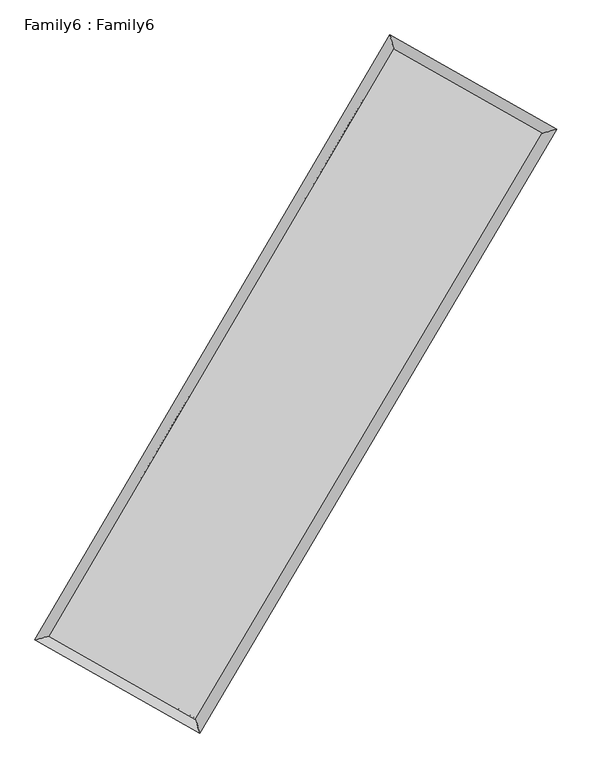
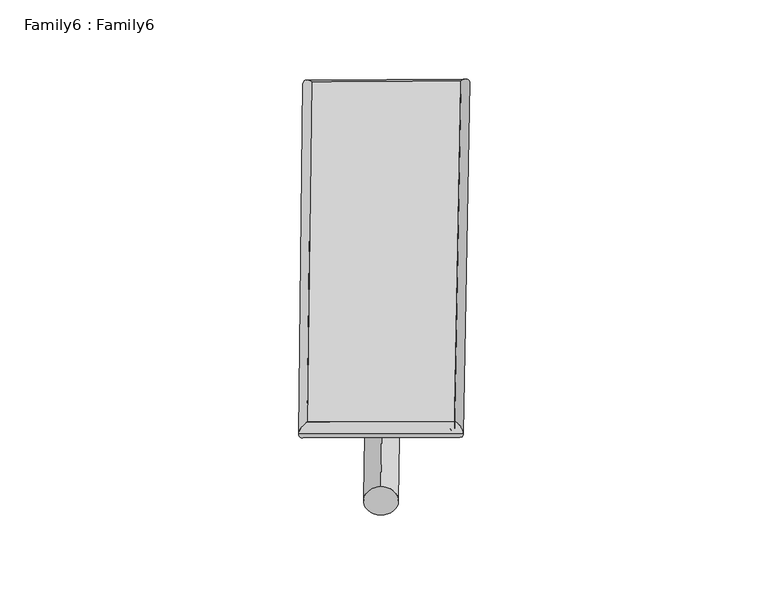
"""IFC4 building model written with IfcOpenShell, lengths in millimetres: plate geometry, Family6 : Family6."""

import ifcopenshell
import ifcopenshell.guid

model = None  # the IFC model being written
_history = None  # IfcOwnerHistory: only IFC2X3 demands one
_inside = {}  # id of a spatial element -> (the spatial element, [elements in it])
_under = {}  # id of a project, library or spatial element -> (it, [spatial elements below it])
_declared = {}  # id of a project -> (the project, [libraries it declares])
_typed = {}  # id of a type object -> (the type object, [elements of that type])
_made_of = {}  # id of a material, layer set ... -> (it, [elements and type objects made of it])


def new_model(schema):
    """Start an empty IFC model of exactly this schema.

    Asked for "IFC4X3", IfcOpenShell would pick the latest addendum, in which some entities
    have other attributes; the version numbers below select the first issue.
    IFC2X3 requires an IfcOwnerHistory on every rooted entity: one is made here for all.
    """
    global model, _history
    if schema == "IFC4X3":
        model = ifcopenshell.file(schema_version=(4, 3, 0, 0))
    else:
        model = ifcopenshell.file(schema=schema)
    _inside.clear()
    _under.clear()
    _declared.clear()
    _typed.clear()
    _made_of.clear()
    _history = None
    if model.schema == "IFC2X3":
        org = make("IfcOrganization", Name="unknown")
        user = make(
            "IfcPersonAndOrganization",
            ThePerson=make("IfcPerson", FamilyName="unknown"),
            TheOrganization=org,
        )
        app = make(
            "IfcApplication",
            ApplicationDeveloper=org,
            Version="unknown",
            ApplicationFullName="unknown",
            ApplicationIdentifier="unknown",
        )
        _history = make(
            "IfcOwnerHistory",
            OwningUser=user,
            OwningApplication=app,
            ChangeAction="ADDED",
            CreationDate=0,
        )
    return model


def make(cls, **values):
    """One entity of the class cls with the attributes given. An attribute that is None is left unset."""
    return model.create_entity(
        cls, **{name: value for name, value in values.items() if value is not None}
    )


def rooted(cls, **values):
    """An entity with a GlobalId (a new one), such as an element, a storey or a relation."""
    return make(cls, GlobalId=ifcopenshell.guid.new(), OwnerHistory=_history, **values)


def si_unit(unit_type, name, prefix=None):
    """IfcSIUnit, for example si_unit("LENGTHUNIT", "METRE", prefix="MILLI")."""
    return make("IfcSIUnit", UnitType=unit_type, Prefix=prefix, Name=name)


def assignment(units):
    """IfcUnitAssignment: the units of a project."""
    return None if units is None else make("IfcUnitAssignment", Units=units)


def point(xyz):
    """IfcCartesianPoint."""
    return None if xyz is None else make("IfcCartesianPoint", Coordinates=xyz)


def direction(xyz):
    """IfcDirection."""
    return None if xyz is None else make("IfcDirection", DirectionRatios=xyz)


def frame(location, z_axis=None, x_axis=None):
    """IfcAxis2Placement3D, a coordinate frame: its origin and axes. An axis left out is left unset."""
    return make(
        "IfcAxis2Placement3D",
        Location=point(location),
        Axis=direction(z_axis),
        RefDirection=direction(x_axis),
    )


def frame_2d(location, x_axis=None):
    """IfcAxis2Placement2D, a coordinate frame in the plane: its origin and x axis."""
    return make(
        "IfcAxis2Placement2D", Location=point(location), RefDirection=direction(x_axis)
    )


def origin():
    """The frame at (0, 0, 0) with its axes left unset."""
    return frame((0.0, 0.0, 0.0))


def origin_2d():
    """The frame at (0, 0) in the plane with its x axis left unset."""
    return frame_2d((0.0, 0.0))


def place(relative_to, where):
    """IfcLocalPlacement: puts the frame where relative to a parent placement (None: the world)."""
    return make(
        "IfcLocalPlacement", PlacementRelTo=relative_to, RelativePlacement=where
    )


def context(
    kind, dimensions, precision=None, world=None, true_north=None, identifier=None
):
    """IfcGeometricRepresentationContext, for example the 3D "Model" context."""
    return make(
        "IfcGeometricRepresentationContext",
        ContextIdentifier=identifier,
        ContextType=kind,
        CoordinateSpaceDimension=dimensions,
        Precision=precision,
        WorldCoordinateSystem=world,
        TrueNorth=true_north,
    )


def project(units=None, contexts=None):
    """IfcProject with its units and contexts."""
    return rooted(
        "IfcProject",
        Name="project",
        RepresentationContexts=contexts,
        UnitsInContext=assignment(units),
    )


def spatial(cls, under=None, at=None, **own):
    """A site, building, storey or space (cls), placed at a placement, below another one or the project."""
    s = rooted(cls, ObjectPlacement=at, **own)
    if under is not None:
        _under.setdefault(under.id(), (under, []))[1].append(s)
    return s


def circle_curve(where, radius):
    """IfcCircle in the frame where."""
    return make("IfcCircle", Position=where, Radius=radius)


def ellipse_curve(where, semi_axis1, semi_axis2):
    """IfcEllipse in the frame where."""
    return make(
        "IfcEllipse", Position=where, SemiAxis1=semi_axis1, SemiAxis2=semi_axis2
    )


def trimmed(basis, trim1, trim2, sense, master):
    """IfcTrimmedCurve: the piece of a basis curve between two trims."""
    return make(
        "IfcTrimmedCurve",
        BasisCurve=basis,
        Trim1=trim1,
        Trim2=trim2,
        SenseAgreement=sense,
        MasterRepresentation=master,
    )


def segment(curve, same_sense, transition):
    """IfcCompositeCurveSegment."""
    return make(
        "IfcCompositeCurveSegment",
        Transition=transition,
        SameSense=same_sense,
        ParentCurve=curve,
    )


def composite_curve(segments, self_intersect=None):
    """IfcCompositeCurve: segments joined end to end."""
    return make("IfcCompositeCurve", Segments=segments, SelfIntersect=self_intersect)


def outline(outer, holes=None, kind="AREA"):
    """IfcArbitraryClosedProfileDef: a profile drawn as a closed curve; with holes, ...WithVoids."""
    if holes is None:
        return make("IfcArbitraryClosedProfileDef", ProfileType=kind, OuterCurve=outer)
    return make(
        "IfcArbitraryProfileDefWithVoids",
        ProfileType=kind,
        OuterCurve=outer,
        InnerCurves=holes,
    )


def extrude(swept, where, along, depth):
    """IfcExtrudedAreaSolid: the profile swept, set in the frame where, extruded along a direction by depth."""
    return make(
        "IfcExtrudedAreaSolid",
        SweptArea=swept,
        Position=where,
        ExtrudedDirection=direction(along),
        Depth=depth,
    )


def shape(context_of_items, identifier, shape_type, items):
    """IfcShapeRepresentation: the items that make up one representation, for example the "Body"."""
    return make(
        "IfcShapeRepresentation",
        ContextOfItems=context_of_items,
        RepresentationIdentifier=identifier,
        RepresentationType=shape_type,
        Items=items,
    )


def source(mapping_origin, context_of_items, identifier, shape_type, items):
    """IfcRepresentationMap: a shape defined once, which mapped items show again and again."""
    return make(
        "IfcRepresentationMap",
        MappingOrigin=mapping_origin,
        MappedRepresentation=shape(context_of_items, identifier, shape_type, items),
    )


def transform(
    local_origin,
    x_axis=None,
    y_axis=None,
    z_axis=None,
    scale=None,
    scale2=None,
    scale3=None,
    uniform=True,
):
    """IfcCartesianTransformationOperator3D, or its non-uniform kind. x_axis, y_axis, z_axis: its Axis1, 2, 3."""
    if uniform:
        return make(
            "IfcCartesianTransformationOperator3D",
            Axis1=direction(x_axis),
            Axis2=direction(y_axis),
            LocalOrigin=point(local_origin),
            Scale=scale,
            Axis3=direction(z_axis),
        )
    return make(
        "IfcCartesianTransformationOperator3DnonUniform",
        Axis1=direction(x_axis),
        Axis2=direction(y_axis),
        LocalOrigin=point(local_origin),
        Scale=scale,
        Axis3=direction(z_axis),
        Scale2=scale2,
        Scale3=scale3,
    )


def mapped(mapping_source, mapping_target):
    """IfcMappedItem: shows the shape of a source again, moved by a transform."""
    return make(
        "IfcMappedItem", MappingSource=mapping_source, MappingTarget=mapping_target
    )


def made_of(thing, what):
    """Note that an element or type object is made of a material, layer set ...; save() writes the relation."""
    if what is not None:
        _made_of.setdefault(what.id(), (what, []))[1].append(thing)
    return thing


def element(
    cls,
    number,
    at=None,
    inside=None,
    cuts=None,
    type_object=None,
    material=None,
    context=None,
    identifier="Body",
    shape_type=None,
    held_by="IfcProductDefinitionShape",
    body=None,
    shapes=None,
    **own,
):
    """One element of the class cls, such as IfcWall. Its Tag is "e" and its number.

    at: its placement. inside: the storey or other place that contains it. cuts: it is an
    opening in that element (IfcRelVoidsElement). A single representation is given by context,
    identifier, shape_type and body (its items); several are given by shapes. held_by: the class
    of the entity that holds the representations. save() writes the other relations.
    """
    e = rooted(cls, Tag="e%d" % number, ObjectPlacement=at, **own)
    if body is not None:
        shapes = [shape(context, identifier, shape_type, body)]
    if shapes is not None:
        e.Representation = make(held_by, Representations=shapes)
    if inside is not None:
        _inside.setdefault(inside.id(), (inside, []))[1].append(e)
    if cuts is not None:
        rooted(
            "IfcRelVoidsElement", RelatingBuildingElement=cuts, RelatedOpeningElement=e
        )
    if type_object is not None:
        _typed.setdefault(type_object.id(), (type_object, []))[1].append(e)
    return made_of(e, material)


def aggregate(whole, parts):
    """IfcRelAggregates: a whole, such as a stair, and the parts it consists of."""
    return rooted("IfcRelAggregates", RelatingObject=whole, RelatedObjects=parts)


def save(model, path):
    """Write the relations noted so far, then the file.

    IfcRelAggregates (storeys below a building ...), IfcRelContainedInSpatialStructure (elements
    in a storey), IfcRelDefinesByType, IfcRelAssociatesMaterial and IfcRelDeclares: one each for
    every whole, place, type object, material and project.
    """
    for whole, parts in _under.values():
        aggregate(whole, parts)
    for where, things in _inside.values():
        rooted(
            "IfcRelContainedInSpatialStructure",
            RelatedElements=things,
            RelatingStructure=where,
        )
    for kind, things in _typed.values():
        rooted("IfcRelDefinesByType", RelatedObjects=things, RelatingType=kind)
    for what, things in _made_of.values():
        rooted("IfcRelAssociatesMaterial", RelatedObjects=things, RelatingMaterial=what)
    for by, libraries in _declared.values():
        rooted("IfcRelDeclares", RelatingContext=by, RelatedDefinitions=libraries)
    model.write(path)


def plane_surface(at):
    """IfcPlane: the flat surface through the origin of the frame at, square to its z axis."""
    return make("IfcPlane", Position=at)


def cylinder_surface(at, radius):
    """IfcCylindricalSurface: all points at the distance radius from the z axis of the frame at."""
    return make("IfcCylindricalSurface", Position=at, Radius=radius)


def spline_surface(u_degree, v_degree, points, u_multiplicities, v_multiplicities, u_knots, v_knots, weights=None):
    """IfcBSplineSurfaceWithKnots; with weights, IfcRationalBSplineSurfaceWithKnots. points: one row for each step in u."""
    own = dict(
        UDegree=u_degree,
        VDegree=v_degree,
        ControlPointsList=[[point(p) for p in row] for row in points],
        SurfaceForm="UNSPECIFIED",
        UClosed=False,
        VClosed=False,
        SelfIntersect=False,
        UMultiplicities=u_multiplicities,
        VMultiplicities=v_multiplicities,
        UKnots=u_knots,
        VKnots=v_knots,
        KnotSpec="UNSPECIFIED",
    )
    if weights is None:
        return make("IfcBSplineSurfaceWithKnots", **own)
    return make("IfcRationalBSplineSurfaceWithKnots", WeightsData=weights, **own)


def advanced_brep(points, edges, surfaces, faces):
    """IfcAdvancedBrep: a solid bounded by faces that lie on surfaces and meet in shared edges.

    An edge is (start, end): straight between two places in points (the first is 0);
    or (start, end, curve); or (start, end, curve, False) where it runs against its curve.
    A face is (place in surfaces, loops), or (place, loops, False) where it looks against
    its surface's normal. A loop lists edges by number (the first is 1), with a minus sign
    where the edge is run from its end to its start. The first loop is the outer one.
    """
    corners = [point(p) for p in points]
    vertices = [make("IfcVertexPoint", VertexGeometry=c) for c in corners]
    made = []
    for start, end, *more in edges:
        made.append(
            make(
                "IfcEdgeCurve",
                EdgeStart=vertices[start],
                EdgeEnd=vertices[end],
                EdgeGeometry=more[0] if more else make("IfcPolyline", Points=[corners[start], corners[end]]),
                SameSense=more[1] if len(more) > 1 else True,
            )
        )
    hull = []
    for where, loops, *sense in faces:
        bounds = []
        for j, loop in enumerate(loops):
            ring = [make("IfcOrientedEdge", EdgeElement=made[abs(k) - 1], Orientation=k > 0) for k in loop]
            bounds.append(
                make(
                    "IfcFaceOuterBound" if j == 0 else "IfcFaceBound",
                    Bound=make("IfcEdgeLoop", EdgeList=ring),
                    Orientation=True,
                )
            )
        hull.append(make("IfcAdvancedFace", Bounds=bounds, FaceSurface=surfaces[where], SameSense=sense[0] if sense else True))
    return make("IfcAdvancedBrep", Outer=make("IfcClosedShell", CfsFaces=hull))


def family6_family6_390c74a5(model_context):
    return source(origin(), model_context, "Body", "SolidModel", [
        extrude(outline(composite_curve([segment(trimmed(circle_curve(origin_2d(), 76.2), [point((-75.4341514, -10.7763073))], [point((75.4341514, 10.7763073))], False, "CARTESIAN"), True, "CONTINUOUS"), segment(trimmed(circle_curve(origin_2d(), 76.2), [point((75.4341514, 10.7763073))], [point((-75.4341514, -10.7763073))], False, "CARTESIAN"), True, "CONTINUOUS")], self_intersect=False)), frame((9144.0, 9144.0, 0.0), z_axis=(0.6753336180534139, 0.6853281764264163, 0.27248815556447353), x_axis=(-0.6774270728575024, 0.7224927889271664, -0.13819092194482682)), (0.0, 0.0, 1.0), 5596.8915575),
        extrude(outline(composite_curve([segment(trimmed(circle_curve(origin_2d(), 76.2), [point((-53.8815368, 53.8815367))], [point((53.8815368, -53.8815367))], False, "CARTESIAN"), True, "CONTINUOUS"), segment(trimmed(circle_curve(origin_2d(), 76.2), [point((53.8815368, -53.8815367))], [point((-53.8815368, 53.8815367))], False, "CARTESIAN"), True, "CONTINUOUS")], self_intersect=False)), frame((9144.0, 9144.0, 0.0), z_axis=(-0.6729939442537464, -0.6875617513557295, 0.27264993869507337), x_axis=(0.6413819104140245, -0.358893042397685, 0.6781039957942954)), (0.0, 0.0, 1.0), 5593.3137443),
        extrude(outline(composite_curve([segment(trimmed(circle_curve(origin_2d(), 76.2), [point((-53.8815367, -53.8815367))], [point((53.8815367, 53.8815367))], False, "CARTESIAN"), True, "CONTINUOUS"), segment(trimmed(circle_curve(origin_2d(), 76.2), [point((53.8815367, 53.8815367))], [point((-53.8815367, -53.8815367))], False, "CARTESIAN"), True, "CONTINUOUS")], self_intersect=False)), frame((9144.0, 9144.0, 0.0), z_axis=(0.27020177751590263, 0.9230875628293775, 0.2736792845229002), x_axis=(-0.8407555090705314, 0.3647321980493739, -0.40012572733282725)), (0.0, 0.0, 1.0), 5554.2912191),
        extrude(outline(composite_curve([segment(trimmed(circle_curve(origin_2d(), 76.2), [point((-75.4341514, 10.7763074))], [point((75.4341514, -10.7763074))], False, "CARTESIAN"), True, "CONTINUOUS"), segment(trimmed(circle_curve(origin_2d(), 76.2), [point((75.4341514, -10.7763074))], [point((-75.4341514, 10.7763074))], False, "CARTESIAN"), True, "CONTINUOUS")], self_intersect=False)), frame((9144.0, 9144.0, 0.0), z_axis=(-0.2732345270479374, -0.9221331480940171, 0.27388565207967286), x_axis=(0.8788531509066727, -0.12354085895289761, 0.46081969935170247)), (0.0, 0.0, 1.0), 5549.5160294),
        advanced_brep(
        [(5169.9347114, 5241.8399514, 1524.6351895), (5169.9339356, 5241.8387653, 1525.5209352), (5589.5327322, 5354.6628608, 1525.3981095), (10700.2502515, 14064.4980766, 1520.6201856), (10589.308469, 14477.6962128, 1519.5687081), (5589.533508, 5354.6640469, 1524.5123638), (12713.5489226, 12923.6622378, 1525.0303903), (13133.9891281, 13035.7527317, 1525.1429245), (7572.6147551, 4232.8521555, 1520.0275363), (7682.7464697, 3820.3624713, 1519.8380966)],
        [
            (0, 1, ellipse_curve(frame((5379.7337218, 5298.2514061, 1525.0166495), z_axis=(-0.2596622661206423, 0.9656989031972784, 0.0010657939136875173), x_axis=(-0.965697560883713, -0.2596637956661473, 0.0017129283395903954)), 217.2524077, 152.4)),
            (1, 2, ellipse_curve(frame((5379.7337218, 5298.2514061, 1525.0166495), z_axis=(-0.2596622661206423, 0.9656989031972784, 0.0010657939136875173), x_axis=(-0.965697560883713, -0.2596637956661473, 0.0017129283395903954)), 217.2524077, 152.4)),
            (2, 3),
            (3, 4, ellipse_curve(frame((10644.7793603, 14271.0971447, 1520.0944469), z_axis=(-0.9657927004004635, -0.25931341811025954, -0.0010055054225386328), x_axis=(0.2593115306265712, -0.9657922431783325, 0.0016950223212411832)), 213.9170329, 152.4)),
            (4, 0),
            (2, 5, ellipse_curve(frame((5379.7337218, 5298.2514061, 1525.0166495), z_axis=(-0.2596622661206423, 0.9656989031972784, 0.0010657939136875173), x_axis=(-0.965697560883713, -0.2596637956661473, 0.0017129283395903954)), 217.2524077, 152.4)),
            (5, 0, ellipse_curve(frame((5379.7337218, 5298.2514061, 1525.0166495), z_axis=(-0.2596622661206423, 0.9656989031972784, 0.0010657939136875173), x_axis=(-0.965697560883713, -0.2596637956661473, 0.0017129283395903954)), 217.2524077, 152.4)),
            (4, 3, ellipse_curve(frame((10644.7793603, 14271.0971447, 1520.0944469), z_axis=(-0.9657927004004635, -0.25931341811025954, -0.0010055054225386328), x_axis=(0.2593115306265712, -0.9657922431783325, 0.0016950223212411832)), 213.9170329, 152.4)),
            (3, 6),
            (6, 7, ellipse_curve(frame((12923.7690254, 12979.7074848, 1525.0866574), z_axis=(-0.25760456352821415, 0.9662499031767786, -0.0010067076558917267), x_axis=(-0.9662485891104784, -0.25760596599412083, -0.0016823573479706191)), 217.5630117, 152.4)),
            (7, 4),
            (7, 6, ellipse_curve(frame((12923.7690254, 12979.7074848, 1525.0866574), z_axis=(-0.25760456352821415, 0.9662499031767786, -0.0010067076558917267), x_axis=(-0.9662485891104784, -0.25760596599412083, -0.0016823573479706191)), 217.5630117, 152.4)),
            (6, 8),
            (8, 9, ellipse_curve(frame((7627.6806124, 4026.6073134, 1519.9328164), z_axis=(0.9661558512686845, 0.2579569864522593, -0.0010316005780726485), x_axis=(-0.2579549709843291, 0.9661553382839608, 0.0017593322253366991)), 213.4695959, 152.4)),
            (9, 7),
            (9, 8, ellipse_curve(frame((7627.6806124, 4026.6073134, 1519.9328164), z_axis=(0.9661558512686845, 0.2579569864522593, -0.0010316005780726485), x_axis=(-0.2579549709843291, 0.9661553382839608, 0.0017593322253366991)), 213.4695959, 152.4)),
            (8, 5),
            (1, 9),
        ],
        [
            cylinder_surface(frame((5379.7337218, 5298.2514061, 1525.0166495), z_axis=(-0.5060843563152614, -0.8624838551771312, 0.00047312975084741124), x_axis=(-0.8624808270330163, 0.5060809427214467, -0.0029836914411854403)), 152.4),
            cylinder_surface(frame((10644.7793603, 14271.0971447, 1520.0944469), z_axis=(-0.8700267982300065, 0.49300074867112365, -0.0019058256361418676), x_axis=(0.49300364184217554, 0.8700258251725659, -0.0015724703964873769)), 152.4),
            cylinder_surface(frame((12923.7690254, 12979.7074848, 1525.0866574), z_axis=(0.5091296477888548, 0.8606896980136259, 0.0004954549526317392), x_axis=(0.8606898299408411, -0.5091296477888548, -0.0001355684431412298)), 152.4),
            cylinder_surface(frame((7627.6806124, 4026.6073134, 1519.9328164), z_axis=(0.8703843865635406, -0.492368911462616, -0.0019684134545427333), x_axis=(-0.49236720048964017, -0.870386595733194, 0.0013091409305322507)), 152.4),
        ],
        [
            (0, [[1, 2, 3, 4, 5]]),
            (0, [[6, 7, -5, 8, -3]]),
            (1, [[-4, 9, 10, 11]]),
            (1, [[-8, -11, 12, -9]]),
            (2, [[-10, 13, 14, 15]]),
            (2, [[-12, -15, 16, -13]]),
            (3, [[-14, 17, -6, -2, 18]]),
            (3, [[-16, -18, -1, -7, -17]]),
        ],
    ),
        extrude(outline(composite_curve([segment(trimmed(circle_curve(origin_2d(), 304.8), [point((0.0, 304.8))], [point((0.0, -304.8))], False, "CARTESIAN"), True, "CONTINUOUS"), segment(trimmed(circle_curve(origin_2d(), 304.8), [point((0.0, -304.8))], [point((0.0, 304.8))], False, "CARTESIAN"), True, "CONTINUOUS")], self_intersect=False)), frame((11799.1231001, 13645.718988, -0.0001371), z_axis=(-0.5080223817278644, -0.8613438684193134, 2.6232943894214204e-08), x_axis=(-0.8613438684193138, 0.5080223817278644, -7.1598391156974115e-09)), (0.0, 0.0, 1.0), 10452.7800175),
        advanced_brep(
        [(5379.7337218, 5298.2514061, 1525.0166495), (7627.6806124, 4026.6073134, 1519.9328164), (7627.6802944, 4026.6055392, 1672.3328164), (5379.7334038, 5298.2496319, 1677.4166495), (12923.7690254, 12979.7074848, 1525.0866574), (12923.7687074, 12979.7057106, 1677.4866574), (10644.7793603, 14271.0971447, 1520.0944469), (10644.7790423, 14271.0953705, 1672.4944469)],
        [
            (0, 1),
            (1, 2),
            (2, 3),
            (3, 0),
            (1, 4),
            (4, 5),
            (5, 2),
            (4, 6),
            (6, 7),
            (7, 5),
            (6, 0),
            (3, 7),
        ],
        [
            plane_surface(frame((6503.7071671, 4662.4293598, 1522.474733), z_axis=(-0.49236988443407625, -0.8703860619161059, -1.1160078959191583e-05), x_axis=(0.870384386563541, -0.4923689114626152, -0.0019684134545427355))),
            plane_surface(frame((10275.7248189, 8503.1573991, 1522.5097369), z_axis=(0.8606898046875958, -0.5091297085122419, -4.1313271333172255e-06), x_axis=(0.5091296477888544, 0.8606896980136263, 0.0004954549526317382))),
            plane_surface(frame((11784.2741928, 13625.4023147, 1522.5905521), z_axis=(0.49300162547438425, 0.8700283887064442, 1.1157233140839887e-05), x_axis=(-0.8700267982300065, 0.4930007486711236, -0.0019058256361418676))),
            plane_surface(frame((8012.256541, 9784.6742754, 1522.5555482), z_axis=(-0.8624839507243564, 0.5060844146248339, 4.092131336723534e-06), x_axis=(-0.5060843563152613, -0.8624838551771312, 0.00047312975084741113))),
            spline_surface(1, 1, [[(7627.6802944, 4026.6055392, 1672.3328164), (5379.7334038, 5298.2496319, 1677.4166495)], [(12923.7687074, 12979.7057106, 1677.4866574), (10644.7790423, 14271.0953705, 1672.4944469)]], [2, 2], [2, 2], [0.0, 1.0], [0.0, 1.0]),
            spline_surface(1, 1, [[(10644.7793603, 14271.0971447, 1520.0944469), (5379.7337218, 5298.2514061, 1525.0166495)], [(12923.7690254, 12979.7074848, 1525.0866574), (7627.6806124, 4026.6073134, 1519.9328164)]], [2, 2], [2, 2], [0.0, 1.0], [0.0, 1.0]),
        ],
        [
            (0, [[1, 2, 3, 4]]),
            (1, [[5, 6, 7, -2]]),
            (2, [[8, 9, 10, -6]]),
            (3, [[11, -4, 12, -9]]),
            (4, [[-3, -7, -10, -12]]),
            (5, [[-11, -8, -5, -1]]),
        ],
    ),
    ])


if __name__ == "__main__":
    model = new_model("IFC4")
    model_context = context("Model", 3, world=origin())
    ifc_project = project(units=[si_unit("LENGTHUNIT", "METRE", prefix="MILLI")], contexts=[model_context])
    site = spatial("IfcSite", under=ifc_project)
    building = spatial("IfcBuilding", under=site)
    placement = place(None, origin())
    family6_family6_shape = family6_family6_390c74a5(model_context)
    element("IfcPlate", 1, ObjectType="Family6 : Family6", at=placement, inside=building, context=model_context, shape_type="MappedRepresentation", body=[
        mapped(family6_family6_shape, transform((0.0, 0.0, 0.0), x_axis=(1.0, 0.0, 0.0), y_axis=(0.0, 1.0, 0.0), z_axis=(0.0, 0.0, 1.0))),
    ])
    save(model, "model.ifc")
